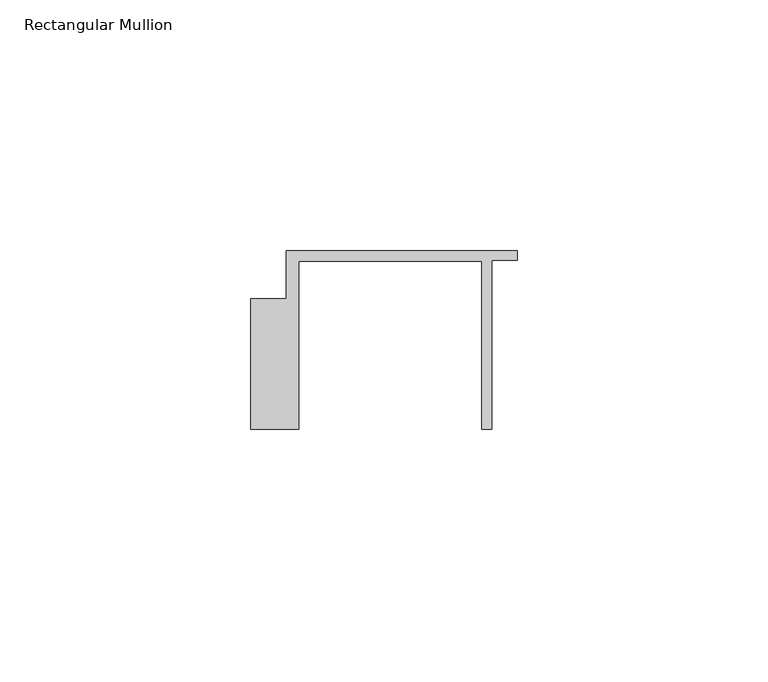
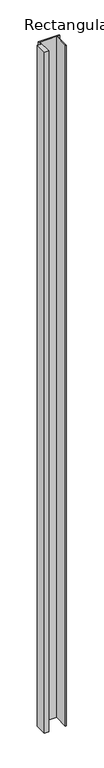
"""IFC4 building model written with IfcOpenShell, lengths in millimetres: member geometry, Rectangular Mullion."""

from ifc_helpers import new_model, si_unit, frame, origin, place, context, project, spatial, polyline, outline, extrude, source, transform, mapped, element, save


def rectangular_mullion_aa958c80(model_context):
    return source(origin(), model_context, "Body", "SweptSolid", [
        extrude(outline(polyline([(-52.9999542, -15.0), (-52.9999542, 10.9798304), (-45.9999994, 10.9798304), (-45.9999994, 20.5002486), (0.0, 20.5002486), (0.0, 18.7002486), (-5.0, 18.7002486), (-5.0, -15.0), (-7.0, -15.0), (-7.0, 18.5002486), (-43.5000151, 18.5002486), (-43.5000151, -15.0), (-52.9999542, -15.0)])), frame((0.0, 0.0, -1568.0001218), z_axis=(0.0, 0.0, 1.0), x_axis=(1.0, 0.0, 0.0)), (0.0, 0.0, 1.0), 1568.0001218),
    ])


if __name__ == "__main__":
    model = new_model("IFC4")
    model_context = context("Model", 3, world=origin())
    ifc_project = project(units=[si_unit("LENGTHUNIT", "METRE", prefix="MILLI")], contexts=[model_context])
    site = spatial("IfcSite", under=ifc_project)
    building = spatial("IfcBuilding", under=site)
    placement = place(None, origin())
    rectangular_mullion_shape = rectangular_mullion_aa958c80(model_context)
    element("IfcMember", 1, ObjectType="Rectangular Mullion", at=placement, inside=building, context=model_context, shape_type="MappedRepresentation", body=[
        mapped(rectangular_mullion_shape, transform((0.0, 0.0, 0.0), x_axis=(1.0, 0.0, 0.0), y_axis=(0.0, 1.0, 0.0), z_axis=(0.0, 0.0, 1.0))),
    ])
    save(model, "model.ifc")
